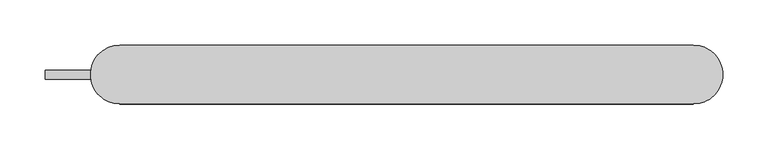
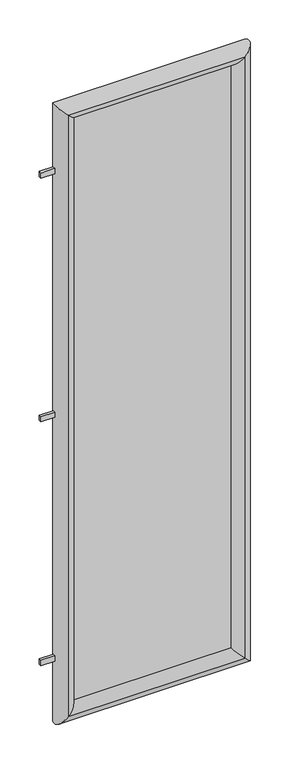
"""IFC4 building model written with IfcOpenShell, lengths in millimetres: proxy geometry."""

from ifc_helpers import new_model, si_unit, frame, origin, place, context, project, spatial, polyline, ellipse_curve, outline, extrude, source, transform, mapped, element, save
from ifc_brep_helpers import cylinder_surface, advanced_brep


def generic_models_255bc582(model_context):
    return source(origin(), model_context, "Body", "SolidModel", [
        extrude(outline(polyline([(50.0, -5.0), (0.0, -5.0), (0.0, 5.0), (50.0, 5.0), (50.0, -5.0)])), frame((0.0, 0.0, 340.0), z_axis=(0.0, 0.0, 1.0), x_axis=(1.0, 0.0, 0.0)), (0.0, 0.0, 1.0), 20.0),
        extrude(outline(polyline([(50.0, -5.0), (0.0, -5.0), (0.0, 5.0), (50.0, 5.0), (50.0, -5.0)])), frame((0.0, 0.0, 2190.0), z_axis=(0.0, 0.0, 1.0), x_axis=(1.0, 0.0, 0.0)), (0.0, 0.0, 1.0), 20.0),
        extrude(outline(polyline([(50.0, -5.0), (0.0, -5.0), (0.0, 5.0), (50.0, 5.0), (50.0, -5.0)])), frame((0.0, 0.0, 1265.0), z_axis=(0.0, 0.0, 1.0), x_axis=(1.0, 0.0, 0.0)), (0.0, 0.0, 1.0), 20.0),
        advanced_brep(
        [(82.5, -32.5, 2417.0), (82.5, 32.5, 2417.0), (82.5, 32.5, 133.0), (82.5, -32.5, 133.0), (717.0, 32.5, 133.0), (717.0, -32.5, 133.0), (717.0, 32.5, 2417.0), (717.0, -32.5, 2417.0)],
        [
            (0, 1, ellipse_curve(frame((82.5, 0.0, 2417.0), z_axis=(-0.7071067811865475, 0.0, -0.7071067811865475), x_axis=(-0.7071067811865474, 0.0, 0.7071067811865476)), 45.9619408, 32.5)),
            (1, 2),
            (2, 3, ellipse_curve(frame((82.5, 0.0, 133.0), z_axis=(-0.7071067811865475, 0.0, 0.7071067811865475), x_axis=(0.7071067811865474, 0.0, 0.7071067811865476)), 45.9619408, 32.5)),
            (3, 0),
            (1, 0, ellipse_curve(frame((82.5, 0.0, 2417.0), z_axis=(-0.7071067811865475, 0.0, -0.7071067811865475), x_axis=(-0.7071067811865474, 0.0, 0.7071067811865476)), 45.9619408, 32.5)),
            (3, 2, ellipse_curve(frame((82.5, 0.0, 133.0), z_axis=(-0.7071067811865475, 0.0, 0.7071067811865475), x_axis=(0.7071067811865474, 0.0, 0.7071067811865476)), 45.9619408, 32.5)),
            (2, 4),
            (4, 5, ellipse_curve(frame((717.0, 0.0, 133.0), z_axis=(-0.7071067811865475, 0.0, -0.7071067811865475), x_axis=(-0.7071067811865476, 0.0, 0.7071067811865474)), 45.9619408, 32.5)),
            (5, 3),
            (5, 4, ellipse_curve(frame((717.0, 0.0, 133.0), z_axis=(-0.7071067811865475, 0.0, -0.7071067811865475), x_axis=(-0.7071067811865476, 0.0, 0.7071067811865474)), 45.9619408, 32.5)),
            (4, 6),
            (6, 7, ellipse_curve(frame((717.0, 0.0, 2417.0), z_axis=(0.7071067811865475, 0.0, -0.7071067811865475), x_axis=(-0.7071067811865474, 0.0, -0.7071067811865476)), 45.9619408, 32.5)),
            (7, 5),
            (7, 6, ellipse_curve(frame((717.0, 0.0, 2417.0), z_axis=(0.7071067811865475, 0.0, -0.7071067811865475), x_axis=(-0.7071067811865474, 0.0, -0.7071067811865476)), 45.9619408, 32.5)),
            (6, 1),
            (0, 7),
        ],
        [
            cylinder_surface(frame((82.5, 0.0, 2417.0), z_axis=(0.0, 0.0, 1.0), x_axis=(0.0, -1.0, 0.0)), 32.5),
            cylinder_surface(frame((82.5, 0.0, 133.0), z_axis=(-1.0, 0.0, 0.0), x_axis=(0.0, -1.0, 0.0)), 32.5),
            cylinder_surface(frame((717.0, 0.0, 133.0), z_axis=(0.0, 0.0, -1.0), x_axis=(0.0, -1.0, 0.0)), 32.5),
            cylinder_surface(frame((717.0, 0.0, 2417.0), z_axis=(1.0, 0.0, 0.0), x_axis=(0.0, -1.0, 0.0)), 32.5),
        ],
        [
            (0, [[1, 2, 3, 4]]),
            (0, [[5, -4, 6, -2]]),
            (1, [[-3, 7, 8, 9]]),
            (1, [[-6, -9, 10, -7]]),
            (2, [[-8, 11, 12, 13]]),
            (2, [[-10, -13, 14, -11]]),
            (3, [[-12, 15, -1, 16]]),
            (3, [[-14, -16, -5, -15]]),
        ],
    ),
        extrude(outline(polyline([(717.0, -1.0998408), (82.5, -1.0998408), (82.5, 1.3837772), (717.0, 1.3837772), (717.0, -1.0998408)])), frame((0.0, 0.0, 133.0), z_axis=(0.0, 0.0, 1.0), x_axis=(1.0, 0.0, 0.0)), (0.0, 0.0, 1.0), 2284.0),
    ])


if __name__ == "__main__":
    model = new_model("IFC4")
    model_context = context("Model", 3, world=origin())
    ifc_project = project(units=[si_unit("LENGTHUNIT", "METRE", prefix="MILLI")], contexts=[model_context])
    site = spatial("IfcSite", under=ifc_project)
    building = spatial("IfcBuilding", under=site)
    placement = place(None, origin())
    generic_models_shape = generic_models_255bc582(model_context)
    element("IfcBuildingElementProxy", 1, Name="Generic Models", at=placement, inside=building, context=model_context, shape_type="MappedRepresentation", body=[
        mapped(generic_models_shape, transform((0.0, 0.0, 0.0), x_axis=(1.0, 0.0, 0.0), y_axis=(0.0, 1.0, 0.0), z_axis=(0.0, 0.0, 1.0))),
    ])
    save(model, "model.ifc")
